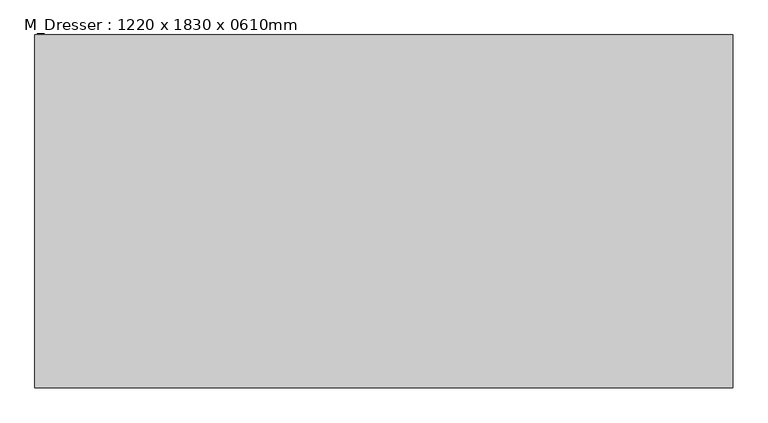
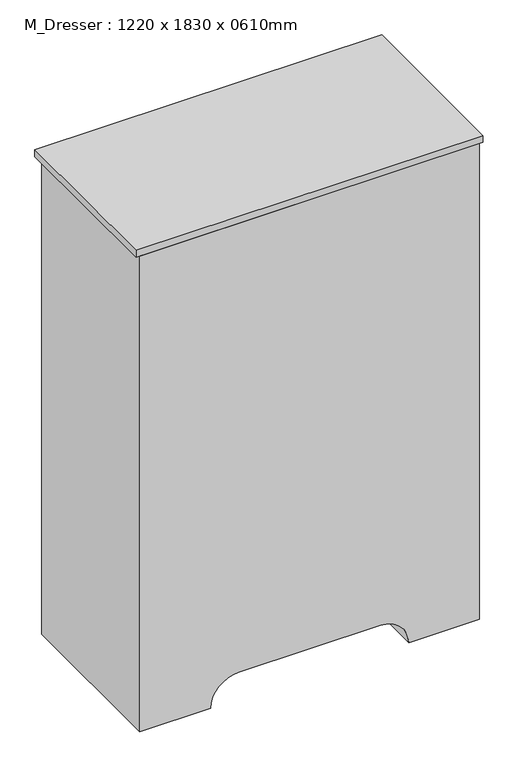
"""IFC4 building model written with IfcOpenShell, lengths in millimetres: furniture geometry, M_Dresser : 1220 x 1830 x 0610mm."""

from ifc_helpers import new_model, si_unit, point, frame, frame_2d, origin, place, context, project, spatial, polyline, circle_curve, trimmed, segment, composite_curve, outline, extrude, source, transform, mapped, element, save


def m_dresser_1220_x_1830_x_0610mm_d711f26f(model_context):
    return source(origin(), model_context, "Body", "SweptSolid", [
        extrude(outline(polyline([(353.5067402, 58.1629541), (-891.8932598, 58.1629541), (-891.8932598, 687.2129541), (353.5067402, 687.2129541), (353.5067402, 58.1629541)])), frame((0.0, 0.0, 1804.6), z_axis=(0.0, 0.0, 1.0), x_axis=(1.0, 0.0, 0.0)), (0.0, 0.0, 1.0), 25.4),
        extrude(outline(composite_curve([segment(polyline([(0.0, 340.8067402), (1804.6, 340.8067402), (1804.6, -879.1932598), (0.0, -879.1932598), (0.0, -625.1932598)]), True, "CONTINUOUS"), segment(trimmed(circle_curve(frame_2d((0.0, -523.5932598)), 101.6), [point((0.0, -625.1932598))], [point((101.6, -523.5932598))], True, "CARTESIAN"), True, "CONTINUOUS"), segment(polyline([(101.6, -523.5932598), (101.6, -14.7932598)]), True, "CONTINUOUS"), segment(trimmed(circle_curve(frame_2d((0.0, -14.7932598)), 101.6), [point((101.6, -14.7932598))], [point((0.0, 86.8067402))], True, "CARTESIAN"), True, "CONTINUOUS"), segment(polyline([(0.0, 86.8067402), (0.0, 340.8067402)]), True, "CONTINUOUS")], self_intersect=False)), frame((0.0, 58.1629541, 0.0), z_axis=(0.0, 1.0, 0.0), x_axis=(0.0, 0.0, 1.0)), (0.0, 0.0, 1.0), 610.0),
        extrude(outline(composite_curve([segment(trimmed(circle_curve(frame_2d((1563.15, 10.4067402)), 25.4), [point((1563.15, -14.9932598))], [point((1563.15, 35.8067402))], False, "CARTESIAN"), True, "CONTINUOUS"), segment(trimmed(circle_curve(frame_2d((1563.15, 10.4067402)), 25.4), [point((1563.15, 35.8067402))], [point((1563.15, -14.9932598))], False, "CARTESIAN"), True, "CONTINUOUS")], self_intersect=False)), frame((0.0, 674.5129541, 0.0), z_axis=(0.0, 1.0, 0.0), x_axis=(0.0, 0.0, 1.0)), (0.0, 0.0, 1.0), 12.7),
        extrude(outline(composite_curve([segment(trimmed(circle_curve(frame_2d((1181.85, 10.4067402)), 25.4), [point((1181.85, -14.9932598))], [point((1181.85, 35.8067402))], False, "CARTESIAN"), True, "CONTINUOUS"), segment(trimmed(circle_curve(frame_2d((1181.85, 10.4067402)), 25.4), [point((1181.85, 35.8067402))], [point((1181.85, -14.9932598))], False, "CARTESIAN"), True, "CONTINUOUS")], self_intersect=False)), frame((0.0, 674.5129541, 0.0), z_axis=(0.0, 1.0, 0.0), x_axis=(0.0, 0.0, 1.0)), (0.0, 0.0, 1.0), 12.7),
        extrude(outline(composite_curve([segment(trimmed(circle_curve(frame_2d((800.55, 10.4067402)), 25.4), [point((800.55, -14.9932598))], [point((800.55, 35.8067402))], False, "CARTESIAN"), True, "CONTINUOUS"), segment(trimmed(circle_curve(frame_2d((800.55, 10.4067402)), 25.4), [point((800.55, 35.8067402))], [point((800.55, -14.9932598))], False, "CARTESIAN"), True, "CONTINUOUS")], self_intersect=False)), frame((0.0, 674.5129541, 0.0), z_axis=(0.0, 1.0, 0.0), x_axis=(0.0, 0.0, 1.0)), (0.0, 0.0, 1.0), 12.7),
        extrude(outline(composite_curve([segment(trimmed(circle_curve(frame_2d((419.25, 10.4067402)), 25.4), [point((419.25, -14.9932598))], [point((419.25, 35.8067402))], False, "CARTESIAN"), True, "CONTINUOUS"), segment(trimmed(circle_curve(frame_2d((419.25, 10.4067402)), 25.4), [point((419.25, 35.8067402))], [point((419.25, -14.9932598))], False, "CARTESIAN"), True, "CONTINUOUS")], self_intersect=False)), frame((0.0, 674.5129541, 0.0), z_axis=(0.0, 1.0, 0.0), x_axis=(0.0, 0.0, 1.0)), (0.0, 0.0, 1.0), 12.7),
        extrude(outline(composite_curve([segment(trimmed(circle_curve(frame_2d((419.25, -548.7932598)), 25.4), [point((419.25, -574.1932598))], [point((419.25, -523.3932598))], False, "CARTESIAN"), True, "CONTINUOUS"), segment(trimmed(circle_curve(frame_2d((419.25, -548.7932598)), 25.4), [point((419.25, -523.3932598))], [point((419.25, -574.1932598))], False, "CARTESIAN"), True, "CONTINUOUS")], self_intersect=False)), frame((0.0, 674.5129541, 0.0), z_axis=(0.0, 1.0, 0.0), x_axis=(0.0, 0.0, 1.0)), (0.0, 0.0, 1.0), 12.7),
        extrude(outline(composite_curve([segment(trimmed(circle_curve(frame_2d((800.55, -548.7932598)), 25.4), [point((800.55, -574.1932598))], [point((800.55, -523.3932598))], False, "CARTESIAN"), True, "CONTINUOUS"), segment(trimmed(circle_curve(frame_2d((800.55, -548.7932598)), 25.4), [point((800.55, -523.3932598))], [point((800.55, -574.1932598))], False, "CARTESIAN"), True, "CONTINUOUS")], self_intersect=False)), frame((0.0, 674.5129541, 0.0), z_axis=(0.0, 1.0, 0.0), x_axis=(0.0, 0.0, 1.0)), (0.0, 0.0, 1.0), 12.7),
        extrude(outline(composite_curve([segment(trimmed(circle_curve(frame_2d((1181.85, -548.7932598)), 25.4), [point((1181.85, -574.1932598))], [point((1181.85, -523.3932598))], False, "CARTESIAN"), True, "CONTINUOUS"), segment(trimmed(circle_curve(frame_2d((1181.85, -548.7932598)), 25.4), [point((1181.85, -523.3932598))], [point((1181.85, -574.1932598))], False, "CARTESIAN"), True, "CONTINUOUS")], self_intersect=False)), frame((0.0, 674.5129541, 0.0), z_axis=(0.0, 1.0, 0.0), x_axis=(0.0, 0.0, 1.0)), (0.0, 0.0, 1.0), 12.7),
        extrude(outline(composite_curve([segment(trimmed(circle_curve(frame_2d((1563.15, -548.7932598)), 25.4), [point((1563.15, -574.1932598))], [point((1563.15, -523.3932598))], False, "CARTESIAN"), True, "CONTINUOUS"), segment(trimmed(circle_curve(frame_2d((1563.15, -548.7932598)), 25.4), [point((1563.15, -523.3932598))], [point((1563.15, -574.1932598))], False, "CARTESIAN"), True, "CONTINUOUS")], self_intersect=False)), frame((0.0, 674.5129541, 0.0), z_axis=(0.0, 1.0, 0.0), x_axis=(0.0, 0.0, 1.0)), (0.0, 0.0, 1.0), 12.7),
        extrude(outline(polyline([(290.0067402, 674.5129541), (290.0067402, 668.1629541), (-828.3932598, 668.1629541), (-828.3932598, 674.5129541), (290.0067402, 674.5129541)])), frame((0.0, 0.0, 1385.2), z_axis=(0.0, 0.0, 1.0), x_axis=(1.0, 0.0, 0.0)), (0.0, 0.0, 1.0), 355.9),
        extrude(outline(polyline([(290.0067402, 674.5129541), (290.0067402, 668.1629541), (-828.3932598, 668.1629541), (-828.3932598, 674.5129541), (290.0067402, 674.5129541)])), frame((0.0, 0.0, 1003.9), z_axis=(0.0, 0.0, 1.0), x_axis=(1.0, 0.0, 0.0)), (0.0, 0.0, 1.0), 355.9),
        extrude(outline(polyline([(290.0067402, 674.5129541), (290.0067402, 668.1629541), (-828.3932598, 668.1629541), (-828.3932598, 674.5129541), (290.0067402, 674.5129541)])), frame((0.0, 0.0, 622.6), z_axis=(0.0, 0.0, 1.0), x_axis=(1.0, 0.0, 0.0)), (0.0, 0.0, 1.0), 355.9),
        extrude(outline(polyline([(290.0067402, 674.5129541), (290.0067402, 668.1629541), (-828.3932598, 668.1629541), (-828.3932598, 674.5129541), (290.0067402, 674.5129541)])), frame((0.0, 0.0, 241.3), z_axis=(0.0, 0.0, 1.0), x_axis=(1.0, 0.0, 0.0)), (0.0, 0.0, 1.0), 355.9),
    ])


if __name__ == "__main__":
    model = new_model("IFC4")
    model_context = context("Model", 3, world=origin())
    ifc_project = project(units=[si_unit("LENGTHUNIT", "METRE", prefix="MILLI")], contexts=[model_context])
    site = spatial("IfcSite", under=ifc_project)
    building = spatial("IfcBuilding", under=site)
    placement = place(None, origin())
    m_dresser_1220_x_1830_x_0610mm_shape = m_dresser_1220_x_1830_x_0610mm_d711f26f(model_context)
    element("IfcFurniture", 1, ObjectType="M_Dresser : 1220 x 1830 x 0610mm", at=placement, inside=building, context=model_context, shape_type="MappedRepresentation", body=[
        mapped(m_dresser_1220_x_1830_x_0610mm_shape, transform((0.0, 0.0, 0.0), x_axis=(1.0, 0.0, 0.0), y_axis=(0.0, 1.0, 0.0), z_axis=(0.0, 0.0, 1.0))),
    ])
    save(model, "model.ifc")
